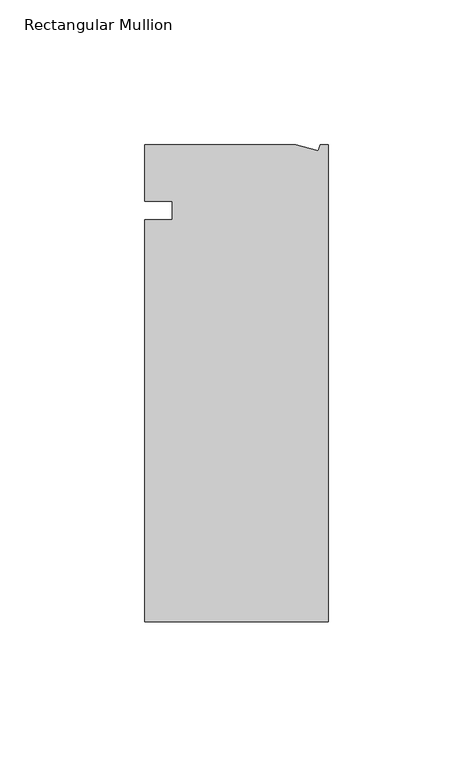
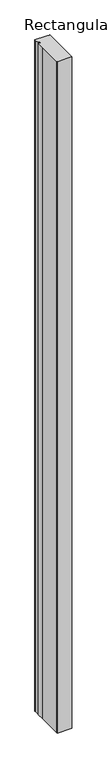
"""IFC4 building model written with IfcOpenShell, lengths in millimetres: member geometry, Rectangular Mullion."""

import ifcopenshell
import ifcopenshell.guid

model = None  # the IFC model being written
_history = None  # IfcOwnerHistory: only IFC2X3 demands one
_inside = {}  # id of a spatial element -> (the spatial element, [elements in it])
_under = {}  # id of a project, library or spatial element -> (it, [spatial elements below it])
_declared = {}  # id of a project -> (the project, [libraries it declares])
_typed = {}  # id of a type object -> (the type object, [elements of that type])
_made_of = {}  # id of a material, layer set ... -> (it, [elements and type objects made of it])


def new_model(schema):
    """Start an empty IFC model of exactly this schema.

    Asked for "IFC4X3", IfcOpenShell would pick the latest addendum, in which some entities
    have other attributes; the version numbers below select the first issue.
    IFC2X3 requires an IfcOwnerHistory on every rooted entity: one is made here for all.
    """
    global model, _history
    if schema == "IFC4X3":
        model = ifcopenshell.file(schema_version=(4, 3, 0, 0))
    else:
        model = ifcopenshell.file(schema=schema)
    _inside.clear()
    _under.clear()
    _declared.clear()
    _typed.clear()
    _made_of.clear()
    _history = None
    if model.schema == "IFC2X3":
        org = make("IfcOrganization", Name="unknown")
        user = make(
            "IfcPersonAndOrganization",
            ThePerson=make("IfcPerson", FamilyName="unknown"),
            TheOrganization=org,
        )
        app = make(
            "IfcApplication",
            ApplicationDeveloper=org,
            Version="unknown",
            ApplicationFullName="unknown",
            ApplicationIdentifier="unknown",
        )
        _history = make(
            "IfcOwnerHistory",
            OwningUser=user,
            OwningApplication=app,
            ChangeAction="ADDED",
            CreationDate=0,
        )
    return model


def make(cls, **values):
    """One entity of the class cls with the attributes given. An attribute that is None is left unset."""
    return model.create_entity(
        cls, **{name: value for name, value in values.items() if value is not None}
    )


def rooted(cls, **values):
    """An entity with a GlobalId (a new one), such as an element, a storey or a relation."""
    return make(cls, GlobalId=ifcopenshell.guid.new(), OwnerHistory=_history, **values)


def si_unit(unit_type, name, prefix=None):
    """IfcSIUnit, for example si_unit("LENGTHUNIT", "METRE", prefix="MILLI")."""
    return make("IfcSIUnit", UnitType=unit_type, Prefix=prefix, Name=name)


def assignment(units):
    """IfcUnitAssignment: the units of a project."""
    return None if units is None else make("IfcUnitAssignment", Units=units)


def point(xyz):
    """IfcCartesianPoint."""
    return None if xyz is None else make("IfcCartesianPoint", Coordinates=xyz)


def direction(xyz):
    """IfcDirection."""
    return None if xyz is None else make("IfcDirection", DirectionRatios=xyz)


def frame(location, z_axis=None, x_axis=None):
    """IfcAxis2Placement3D, a coordinate frame: its origin and axes. An axis left out is left unset."""
    return make(
        "IfcAxis2Placement3D",
        Location=point(location),
        Axis=direction(z_axis),
        RefDirection=direction(x_axis),
    )


def origin():
    """The frame at (0, 0, 0) with its axes left unset."""
    return frame((0.0, 0.0, 0.0))


def place(relative_to, where):
    """IfcLocalPlacement: puts the frame where relative to a parent placement (None: the world)."""
    return make(
        "IfcLocalPlacement", PlacementRelTo=relative_to, RelativePlacement=where
    )


def context(
    kind, dimensions, precision=None, world=None, true_north=None, identifier=None
):
    """IfcGeometricRepresentationContext, for example the 3D "Model" context."""
    return make(
        "IfcGeometricRepresentationContext",
        ContextIdentifier=identifier,
        ContextType=kind,
        CoordinateSpaceDimension=dimensions,
        Precision=precision,
        WorldCoordinateSystem=world,
        TrueNorth=true_north,
    )


def project(units=None, contexts=None):
    """IfcProject with its units and contexts."""
    return rooted(
        "IfcProject",
        Name="project",
        RepresentationContexts=contexts,
        UnitsInContext=assignment(units),
    )


def spatial(cls, under=None, at=None, **own):
    """A site, building, storey or space (cls), placed at a placement, below another one or the project."""
    s = rooted(cls, ObjectPlacement=at, **own)
    if under is not None:
        _under.setdefault(under.id(), (under, []))[1].append(s)
    return s


def polyline(points):
    """IfcPolyline through the points."""
    return make("IfcPolyline", Points=[point(p) for p in points])


def outline(outer, holes=None, kind="AREA"):
    """IfcArbitraryClosedProfileDef: a profile drawn as a closed curve; with holes, ...WithVoids."""
    if holes is None:
        return make("IfcArbitraryClosedProfileDef", ProfileType=kind, OuterCurve=outer)
    return make(
        "IfcArbitraryProfileDefWithVoids",
        ProfileType=kind,
        OuterCurve=outer,
        InnerCurves=holes,
    )


def extrude(swept, where, along, depth):
    """IfcExtrudedAreaSolid: the profile swept, set in the frame where, extruded along a direction by depth."""
    return make(
        "IfcExtrudedAreaSolid",
        SweptArea=swept,
        Position=where,
        ExtrudedDirection=direction(along),
        Depth=depth,
    )


def shape(context_of_items, identifier, shape_type, items):
    """IfcShapeRepresentation: the items that make up one representation, for example the "Body"."""
    return make(
        "IfcShapeRepresentation",
        ContextOfItems=context_of_items,
        RepresentationIdentifier=identifier,
        RepresentationType=shape_type,
        Items=items,
    )


def source(mapping_origin, context_of_items, identifier, shape_type, items):
    """IfcRepresentationMap: a shape defined once, which mapped items show again and again."""
    return make(
        "IfcRepresentationMap",
        MappingOrigin=mapping_origin,
        MappedRepresentation=shape(context_of_items, identifier, shape_type, items),
    )


def transform(
    local_origin,
    x_axis=None,
    y_axis=None,
    z_axis=None,
    scale=None,
    scale2=None,
    scale3=None,
    uniform=True,
):
    """IfcCartesianTransformationOperator3D, or its non-uniform kind. x_axis, y_axis, z_axis: its Axis1, 2, 3."""
    if uniform:
        return make(
            "IfcCartesianTransformationOperator3D",
            Axis1=direction(x_axis),
            Axis2=direction(y_axis),
            LocalOrigin=point(local_origin),
            Scale=scale,
            Axis3=direction(z_axis),
        )
    return make(
        "IfcCartesianTransformationOperator3DnonUniform",
        Axis1=direction(x_axis),
        Axis2=direction(y_axis),
        LocalOrigin=point(local_origin),
        Scale=scale,
        Axis3=direction(z_axis),
        Scale2=scale2,
        Scale3=scale3,
    )


def mapped(mapping_source, mapping_target):
    """IfcMappedItem: shows the shape of a source again, moved by a transform."""
    return make(
        "IfcMappedItem", MappingSource=mapping_source, MappingTarget=mapping_target
    )


def made_of(thing, what):
    """Note that an element or type object is made of a material, layer set ...; save() writes the relation."""
    if what is not None:
        _made_of.setdefault(what.id(), (what, []))[1].append(thing)
    return thing


def element(
    cls,
    number,
    at=None,
    inside=None,
    cuts=None,
    type_object=None,
    material=None,
    context=None,
    identifier="Body",
    shape_type=None,
    held_by="IfcProductDefinitionShape",
    body=None,
    shapes=None,
    **own,
):
    """One element of the class cls, such as IfcWall. Its Tag is "e" and its number.

    at: its placement. inside: the storey or other place that contains it. cuts: it is an
    opening in that element (IfcRelVoidsElement). A single representation is given by context,
    identifier, shape_type and body (its items); several are given by shapes. held_by: the class
    of the entity that holds the representations. save() writes the other relations.
    """
    e = rooted(cls, Tag="e%d" % number, ObjectPlacement=at, **own)
    if body is not None:
        shapes = [shape(context, identifier, shape_type, body)]
    if shapes is not None:
        e.Representation = make(held_by, Representations=shapes)
    if inside is not None:
        _inside.setdefault(inside.id(), (inside, []))[1].append(e)
    if cuts is not None:
        rooted(
            "IfcRelVoidsElement", RelatingBuildingElement=cuts, RelatedOpeningElement=e
        )
    if type_object is not None:
        _typed.setdefault(type_object.id(), (type_object, []))[1].append(e)
    return made_of(e, material)


def aggregate(whole, parts):
    """IfcRelAggregates: a whole, such as a stair, and the parts it consists of."""
    return rooted("IfcRelAggregates", RelatingObject=whole, RelatedObjects=parts)


def save(model, path):
    """Write the relations noted so far, then the file.

    IfcRelAggregates (storeys below a building ...), IfcRelContainedInSpatialStructure (elements
    in a storey), IfcRelDefinesByType, IfcRelAssociatesMaterial and IfcRelDeclares: one each for
    every whole, place, type object, material and project.
    """
    for whole, parts in _under.values():
        aggregate(whole, parts)
    for where, things in _inside.values():
        rooted(
            "IfcRelContainedInSpatialStructure",
            RelatedElements=things,
            RelatingStructure=where,
        )
    for kind, things in _typed.values():
        rooted("IfcRelDefinesByType", RelatedObjects=things, RelatingType=kind)
    for what, things in _made_of.values():
        rooted("IfcRelAssociatesMaterial", RelatedObjects=things, RelatingMaterial=what)
    for by, libraries in _declared.values():
        rooted("IfcRelDeclares", RelatingContext=by, RelatedDefinitions=libraries)
    model.write(path)


def rectangular_mullion_c255c2ab(model_context):
    return source(origin(), model_context, "Body", "SweptSolid", [
        extrude(outline(polyline([(-11.1265412, 19.6597595), (-3.3457217, 17.5748952), (-2.787084, 19.6597595), (0.0, 19.6597595), (0.0, -145.4402405), (-63.5, -145.4402405), (-63.5, -139.0912246), (-63.5, -38.3358837), (-63.5, -6.35), (-53.975, -6.35), (-53.975, 0.0), (-63.5, 0.0), (-63.5, 13.6093403), (-63.5, 19.6597595), (-11.1265412, 19.6597595)])), frame((0.0, 0.0, -3048.0), z_axis=(0.0, 0.0, 1.0), x_axis=(1.0, 0.0, 0.0)), (0.0, 0.0, 1.0), 3048.0),
    ])


if __name__ == "__main__":
    model = new_model("IFC4")
    model_context = context("Model", 3, world=origin())
    ifc_project = project(units=[si_unit("LENGTHUNIT", "METRE", prefix="MILLI")], contexts=[model_context])
    site = spatial("IfcSite", under=ifc_project)
    building = spatial("IfcBuilding", under=site)
    placement = place(None, origin())
    rectangular_mullion_shape = rectangular_mullion_c255c2ab(model_context)
    element("IfcMember", 1, ObjectType="Rectangular Mullion", at=placement, inside=building, context=model_context, shape_type="MappedRepresentation", body=[
        mapped(rectangular_mullion_shape, transform((0.0, 0.0, 0.0), x_axis=(1.0, 0.0, 0.0), y_axis=(0.0, 1.0, 0.0), z_axis=(0.0, 0.0, 1.0))),
    ])
    save(model, "model.ifc")
